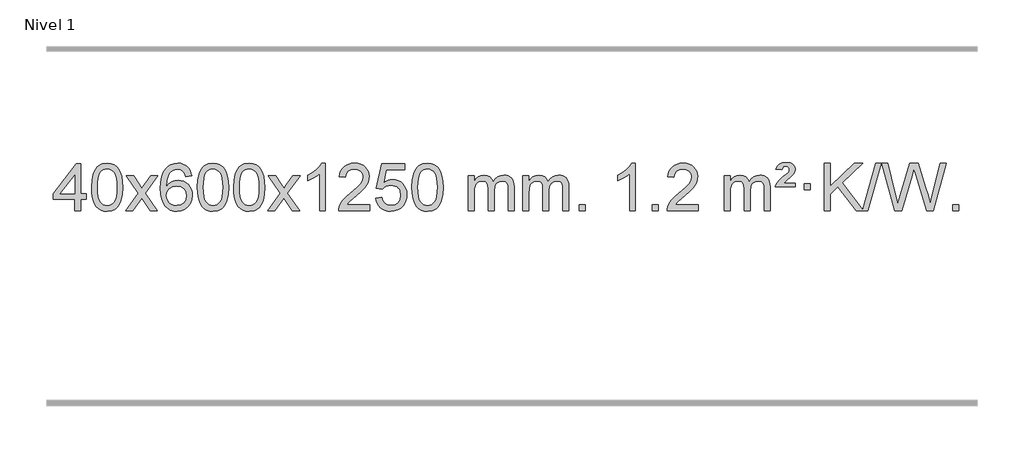
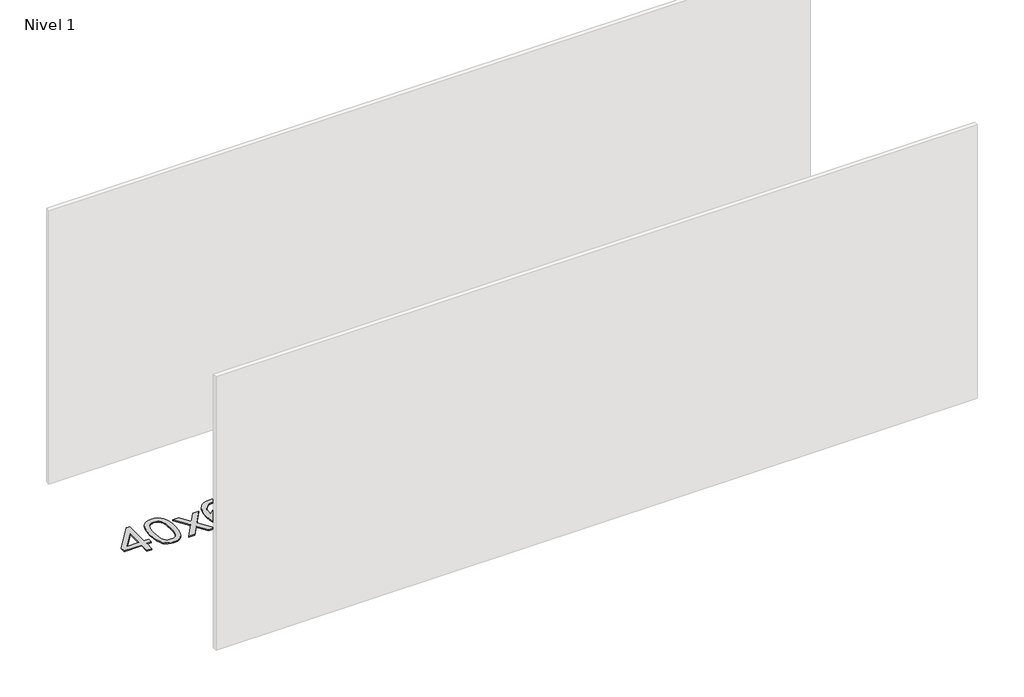
# One storey, part 9 of 9: 1 proxy.
"""IFC4 building model written with IfcOpenShell, lengths in millimetres."""

from ifc_helpers import new_model, si_unit, origin, origin_with_axes, place, context, project, spatial, polyline, outline, extrude, element, save

model = new_model("IFC4")

# Units and contexts
model_context = context("Model", 3, world=origin())
ifc_project = project(units=[si_unit("LENGTHUNIT", "METRE", prefix="MILLI")], contexts=[model_context])

# Site, building, storey
site = spatial("IfcSite", under=ifc_project)
building = spatial("IfcBuilding", under=site)
storey = spatial("IfcBuildingStorey", under=building, Name="Nivel 1", Elevation=0.0)

# Proxy
placement = place(None, origin())
element("IfcBuildingElementProxy", 1, Name="Texto de modelo 1", ObjectType="Texto de modelo 1", at=placement, inside=storey, context=model_context, shape_type="SweptSolid", body=[
    extrude(outline(polyline([(-6292.9282065, 2608.420547), (-6292.9282065, 2702.5983378), (-6475.0052686, 2702.5983378), (-6475.0052686, 2752.8264928), (-6280.3711677, 3003.9672682), (-6242.7000514, 3003.9672682), (-6242.7000514, 2752.8264928), (-6192.4718963, 2752.8264928), (-6192.4718963, 2702.5983378), (-6242.7000514, 2702.5983378), (-6242.7000514, 2608.420547), (-6292.9282065, 2608.420547)]), holes=[polyline([(-6292.9282065, 2752.8264928), (-6292.9282065, 2908.0236439), (-6413.2010934, 2752.8264928), (-6292.9282065, 2752.8264928)])]), origin_with_axes(), (0.0, 0.0, 1.0), 10.0),
    extrude(outline(polyline([(-6148.5222606, 2806.0958057), (-6144.8311779, 2870.4138412), (-6133.7579299, 2921.7088541), (-6115.4128811, 2960.7656593), (-6103.5548181, 2975.9990395), (-6089.9063961, 2988.3690716), (-6074.4216298, 2997.9401349), (-6057.0545339, 3004.7766086), (-6016.6733536, 3010.2457876), (-5985.722215, 3007.008426), (-5958.0084381, 2997.2963414), (-5934.8318724, 2981.4896783), (-5917.4923677, 2959.9685816), (-5904.3957686, 2932.9169922), (-5893.94792, 2900.5188512), (-5887.1053149, 2859.3773814), (-5884.8244465, 2806.0958057), (-5888.478741, 2742.1456523), (-5899.4416244, 2690.9732667), (-5917.6763087, 2651.8796734), (-5929.5067805, 2636.6003078), (-5943.1460055, 2624.1658964), (-5958.6491659, 2614.5304538), (-5976.071444, 2607.6479948), (-6016.6733536, 2602.1420276), (-6044.3380796, 2604.5332606), (-6068.8635459, 2611.7069595), (-6090.2497526, 2623.6631243), (-6108.4966996, 2640.4017551), (-6126.0078825, 2670.6600492), (-6138.5158704, 2708.3618224), (-6146.0206631, 2753.5070745), (-6148.5222606, 2806.0958057)]), holes=[polyline([(-6098.2941056, 2806.1939076), (-6096.8225776, 2762.5293805), (-6092.4079936, 2727.1851178), (-6085.0503537, 2700.1611196), (-6074.7496579, 2681.4573858), (-6062.290721, 2668.7317344), (-6048.4583579, 2659.6419835), (-6033.2525688, 2654.1881329), (-6016.6733536, 2652.3701827), (-6000.0941383, 2654.1942643), (-5984.8883492, 2659.6665089), (-5971.0559862, 2668.7869167), (-5958.5970493, 2681.5554876), (-5948.2963534, 2700.2898783), (-5940.9387135, 2727.3077451), (-5936.5241295, 2762.6090882), (-5935.0526016, 2806.1939076), (-5936.4750786, 2848.7026722), (-5940.7425098, 2883.4246011), (-5947.854895, 2910.3596945), (-5957.8122343, 2929.5079524), (-5970.0627048, 2942.8559375), (-5984.0544833, 2952.3902125), (-5999.78757, 2958.1107775), (-6017.2619648, 2960.0176325), (-6033.7553409, 2958.3376381), (-6048.7036126, 2953.2976548), (-6062.10678, 2944.8976825), (-6073.9648429, 2933.1377214), (-6084.6088953, 2912.291075), (-6092.2117899, 2884.1848906), (-6096.7735266, 2848.8191681), (-6098.2941056, 2806.1939076)])]), origin_with_axes(), (0.0, 0.0, 1.0), 10.0),
    extrude(outline(polyline([(-5859.7103689, 2608.420547), (-5752.3869282, 2756.7505675), (-5853.4318496, 2903.5109581), (-5793.0011005, 2903.5109581), (-5744.2444734, 2832.877615), (-5721.4848406, 2799.5229808), (-5701.7663657, 2826.7952993), (-5646.2407099, 2903.5109581), (-5585.8099608, 2903.5109581), (-5691.9561791, 2756.7505675), (-5589.7340354, 2608.420547), (-5650.1647845, 2608.420547), (-5711.6746541, 2697.5951426), (-5722.9563686, 2713.8800523), (-5799.2796199, 2608.420547), (-5859.7103689, 2608.420547)])), origin_with_axes(), (0.0, 0.0, 1.0), 10.0),
    extrude(outline(polyline([(-5300.9221437, 2903.5109581), (-5351.1502988, 2897.2324387), (-5359.2437027, 2922.125787), (-5370.1820607, 2939.1219352), (-5392.9662189, 2954.7937082), (-5420.5083176, 2960.0176325), (-5443.8565616, 2956.9764747), (-5465.8313794, 2947.8530012), (-5484.7037258, 2928.6372983), (-5500.1179814, 2902.1865829), (-5510.5290419, 2864.772984), (-5514.3918028, 2812.6686307), (-5494.2441322, 2836.1762902), (-5470.0988106, 2852.7432427), (-5443.3047386, 2862.565692), (-5415.2108169, 2865.8398418), (-5391.077758, 2863.601893), (-5368.8086346, 2856.8880466), (-5348.4034466, 2845.6983025), (-5329.862194, 2830.0326609), (-5314.4540698, 2810.8230894), (-5303.4482668, 2789.0015557), (-5296.844785, 2764.5680599), (-5294.6436244, 2737.5226018), (-5298.7884282, 2701.5560055), (-5311.2228396, 2668.213634), (-5330.9167891, 2639.9357713), (-5356.840207, 2619.1627013), (-5387.815871, 2606.397196), (-5422.6665587, 2602.1420276), (-5452.6090874, 2604.9624563), (-5479.6514797, 2613.4237421), (-5503.7937357, 2627.5258853), (-5525.0358552, 2647.2688857), (-5542.3539001, 2673.4866092), (-5554.7239322, 2707.0129217), (-5562.1459515, 2747.8478232), (-5564.6199579, 2795.9913136), (-5561.8731057, 2849.9657337), (-5553.632549, 2896.0306908), (-5539.8982878, 2934.1861851), (-5520.6703222, 2964.4322165), (-5499.8298072, 2984.4756538), (-5475.6660915, 2998.7923948), (-5448.179175, 3007.3824394), (-5417.3690579, 3010.2457876), (-5394.2354118, 3008.4738227), (-5373.2967949, 3003.1579278), (-5354.5532073, 2994.2981031), (-5338.0046489, 2981.8943485), (-5324.0987094, 2966.3635969), (-5313.2829788, 2948.1227814), (-5305.5574569, 2927.1719017), (-5300.9221437, 2903.5109581)]), holes=[polyline([(-5514.3918028, 2738.3074168), (-5511.485535, 2716.0505561), (-5502.7667318, 2694.7992395), (-5489.2286743, 2676.527767), (-5471.8646442, 2663.2104388), (-5450.9076332, 2655.0802467), (-5426.5906333, 2652.3701827), (-5393.4444655, 2657.9865145), (-5379.5293291, 2665.0069292), (-5367.3861575, 2674.8355099), (-5357.5361171, 2687.0737176), (-5350.500374, 2701.3230135), (-5344.8717794, 2735.8548701), (-5350.4267976, 2769.0010379), (-5357.3705702, 2782.6218688), (-5367.0918519, 2794.274531), (-5379.2718117, 2803.6095366), (-5393.5916183, 2810.2773978), (-5428.6507725, 2815.6116867), (-5461.7478893, 2810.2773978), (-5489.4248781, 2794.274531), (-5500.3479076, 2782.7751529), (-5508.1500716, 2769.6141746), (-5512.83137, 2754.7915958), (-5514.3918028, 2738.3074168)])]), origin_with_axes(), (0.0, 0.0, 1.0), 10.0),
    extrude(outline(polyline([(-5250.6939887, 2806.0958057), (-5247.002906, 2870.4138412), (-5235.9296579, 2921.7088541), (-5217.5846091, 2960.7656593), (-5205.7265461, 2975.9990395), (-5192.0781241, 2988.3690716), (-5176.5933578, 2997.9401349), (-5159.2262619, 3004.7766086), (-5118.8450816, 3010.2457876), (-5087.8939431, 3007.008426), (-5060.1801661, 2997.2963414), (-5037.0036004, 2981.4896783), (-5019.6640957, 2959.9685816), (-5006.5674967, 2932.9169922), (-4996.119648, 2900.5188512), (-4989.2770429, 2859.3773814), (-4986.9961745, 2806.0958057), (-4990.650469, 2742.1456523), (-5001.6133525, 2690.9732667), (-5019.8480367, 2651.8796734), (-5031.6785085, 2636.6003078), (-5045.3177335, 2624.1658964), (-5060.8208939, 2614.5304538), (-5078.2431721, 2607.6479948), (-5118.8450816, 2602.1420276), (-5146.5098076, 2604.5332606), (-5171.035274, 2611.7069595), (-5192.4214806, 2623.6631243), (-5210.6684276, 2640.4017551), (-5228.1796106, 2670.6600492), (-5240.6875984, 2708.3618224), (-5248.1923911, 2753.5070745), (-5250.6939887, 2806.0958057)]), holes=[polyline([(-5200.4658336, 2806.1939076), (-5198.9943056, 2762.5293805), (-5194.5797217, 2727.1851178), (-5187.2220818, 2700.1611196), (-5176.9213859, 2681.4573858), (-5164.462449, 2668.7317344), (-5150.630086, 2659.6419835), (-5135.4242968, 2654.1881329), (-5118.8450816, 2652.3701827), (-5102.2658663, 2654.1942643), (-5087.0600772, 2659.6665089), (-5073.2277142, 2668.7869167), (-5060.7687773, 2681.5554876), (-5050.4680814, 2700.2898783), (-5043.1104415, 2727.3077451), (-5038.6958576, 2762.6090882), (-5037.2243296, 2806.1939076), (-5038.6468066, 2848.7026722), (-5042.9142378, 2883.4246011), (-5050.026623, 2910.3596945), (-5059.9839624, 2929.5079524), (-5072.2344328, 2942.8559375), (-5086.2262114, 2952.3902125), (-5101.959298, 2958.1107775), (-5119.4336928, 2960.0176325), (-5135.9270689, 2958.3376381), (-5150.8753406, 2953.2976548), (-5164.278508, 2944.8976825), (-5176.136571, 2933.1377214), (-5186.7806234, 2912.291075), (-5194.3835179, 2884.1848906), (-5198.9452547, 2848.8191681), (-5200.4658336, 2806.1939076)])]), origin_with_axes(), (0.0, 0.0, 1.0), 10.0),
    extrude(outline(polyline([(-4943.0465388, 2806.0958057), (-4939.3554561, 2870.4138412), (-4928.2822081, 2921.7088541), (-4909.9371593, 2960.7656593), (-4898.0790963, 2975.9990395), (-4884.4306743, 2988.3690716), (-4868.945908, 2997.9401349), (-4851.5788121, 3004.7766086), (-4811.1976318, 3010.2457876), (-4780.2464932, 3007.008426), (-4752.5327163, 2997.2963414), (-4729.3561506, 2981.4896783), (-4712.0166459, 2959.9685816), (-4698.9200468, 2932.9169922), (-4688.4721982, 2900.5188512), (-4681.6295931, 2859.3773814), (-4679.3487247, 2806.0958057), (-4683.0030192, 2742.1456523), (-4693.9659026, 2690.9732667), (-4712.2005869, 2651.8796734), (-4724.0310587, 2636.6003078), (-4737.6702837, 2624.1658964), (-4753.1734441, 2614.5304538), (-4770.5957222, 2607.6479948), (-4811.1976318, 2602.1420276), (-4838.8623578, 2604.5332606), (-4863.3878241, 2611.7069595), (-4884.7740308, 2623.6631243), (-4903.0209778, 2640.4017551), (-4920.5321607, 2670.6600492), (-4933.0401486, 2708.3618224), (-4940.5449413, 2753.5070745), (-4943.0465388, 2806.0958057)]), holes=[polyline([(-4892.8183838, 2806.1939076), (-4891.3468558, 2762.5293805), (-4886.9322718, 2727.1851178), (-4879.5746319, 2700.1611196), (-4869.2739361, 2681.4573858), (-4856.8149992, 2668.7317344), (-4842.9826361, 2659.6419835), (-4827.776847, 2654.1881329), (-4811.1976318, 2652.3701827), (-4794.6184165, 2654.1942643), (-4779.4126274, 2659.6665089), (-4765.5802644, 2668.7869167), (-4753.1213275, 2681.5554876), (-4742.8206316, 2700.2898783), (-4735.4629917, 2727.3077451), (-4731.0484077, 2762.6090882), (-4729.5768798, 2806.1939076), (-4730.9993568, 2848.7026722), (-4735.266788, 2883.4246011), (-4742.3791732, 2910.3596945), (-4752.3365125, 2929.5079524), (-4764.586983, 2942.8559375), (-4778.5787615, 2952.3902125), (-4794.3118482, 2958.1107775), (-4811.786243, 2960.0176325), (-4828.2796191, 2958.3376381), (-4843.2278908, 2953.2976548), (-4856.6310582, 2944.8976825), (-4868.4891211, 2933.1377214), (-4879.1331735, 2912.291075), (-4886.7360681, 2884.1848906), (-4891.2978048, 2848.8191681), (-4892.8183838, 2806.1939076)])]), origin_with_axes(), (0.0, 0.0, 1.0), 10.0),
    extrude(outline(polyline([(-4654.2346472, 2608.420547), (-4546.9112064, 2756.7505675), (-4647.9561278, 2903.5109581), (-4587.5253787, 2903.5109581), (-4538.7687516, 2832.877615), (-4516.0091188, 2799.5229808), (-4496.2906439, 2826.7952993), (-4440.7649881, 2903.5109581), (-4380.334239, 2903.5109581), (-4486.4804574, 2756.7505675), (-4384.2583136, 2608.420547), (-4444.6890627, 2608.420547), (-4506.1989323, 2697.5951426), (-4517.4806468, 2713.8800523), (-4593.8038981, 2608.420547), (-4654.2346472, 2608.420547)])), origin_with_axes(), (0.0, 0.0, 1.0), 10.0),
    extrude(outline(polyline([(-4164.5101352, 2608.420547), (-4214.7382902, 2608.420547), (-4214.7382902, 2921.5617013), (-4235.707564, 2904.6023413), (-4262.317695, 2887.6675068), (-4315.1946004, 2862.3081746), (-4315.1946004, 2909.7894775), (-4275.7453878, 2931.2492605), (-4241.5691504, 2956.780271), (-4214.6279257, 2983.9299622), (-4196.8837508, 3010.2457876), (-4164.5101352, 3010.2457876), (-4164.5101352, 2608.420547)])), origin_with_axes(), (0.0, 0.0, 1.0), 10.0),
    extrude(outline(polyline([(-3787.7989721, 2658.6487021), (-3787.7989721, 2608.420547), (-4051.4967863, 2608.420547), (-4050.3931403, 2626.1034082), (-4046.1011837, 2643.0505055), (-4033.7158232, 2670.1143576), (-4015.5915035, 2696.3688693), (-3989.37378, 2723.8496544), (-3952.7082078, 2754.5923264), (-3898.5069272, 2802.7358169), (-3865.9861588, 2838.2732176), (-3849.7257746, 2867.115166), (-3844.3056466, 2895.1722995), (-3849.4192063, 2920.3231653), (-3864.7598855, 2941.2311253), (-3888.3411214, 2955.3210057), (-3918.1763512, 2960.0176325), (-3949.5076345, 2955.4313703), (-3973.8491598, 2941.6725837), (-3989.557721, 2919.8203932), (-3994.9901118, 2890.9539193), (-4045.2182669, 2897.2324387), (-4040.8987191, 2923.161988), (-4033.0413728, 2945.8173875), (-4021.646228, 2965.1986373), (-4006.7132847, 2981.3057373), (-3988.5858994, 2993.9670093), (-3967.6074286, 3003.010775), (-3943.7778724, 3008.4370345), (-3917.0972307, 3010.2457876), (-3890.1774657, 3008.2346994), (-3866.2191508, 3002.2014346), (-3845.2222859, 2992.1459934), (-3827.1868711, 2978.0683758), (-3812.7015175, 2961.0109139), (-3802.3548364, 2942.0159402), (-3796.1468277, 2921.0834547), (-3794.0774915, 2898.2134573), (-3796.3093089, 2874.1907631), (-3803.0047612, 2850.5850017), (-3814.8873497, 2826.5745701), (-3832.6805755, 2801.3378653), (-3861.0442774, 2771.2083299), (-3904.6382938, 2732.5194067), (-3962.4202925, 2684.204238), (-3985.0818234, 2658.6487021), (-3787.7989721, 2658.6487021)])), origin_with_axes(), (0.0, 0.0, 1.0), 10.0),
    extrude(outline(polyline([(-3737.570817, 2715.1553765), (-3687.342662, 2721.4338959), (-3678.1210866, 2691.2798351), (-3662.0323807, 2669.6851619), (-3639.1501206, 2656.6989275), (-3609.5478827, 2652.3701827), (-3590.418019, 2653.8754332), (-3573.5444981, 2658.3911847), (-3558.9273202, 2665.9174372), (-3546.5664851, 2676.4541906), (-3536.7379045, 2689.480279), (-3529.7174898, 2704.4745359), (-3524.101158, 2740.3675559), (-3529.3618705, 2774.1636486), (-3535.9377612, 2788.0818507), (-3545.1440081, 2800.0134901), (-3557.0112681, 2809.5845533), (-3571.5701981, 2816.4210271), (-3608.7630678, 2821.8902061), (-3633.1291186, 2819.7074396), (-3652.8598563, 2813.1591401), (-3668.6174684, 2803.1282243), (-3681.0641426, 2790.4976092), (-3731.2922977, 2796.7761285), (-3687.342662, 3003.9672682), (-3492.708561, 3003.9672682), (-3492.708561, 2953.7391131), (-3646.7284897, 2953.7391131), (-3668.2127982, 2843.080209), (-3650.4870174, 2855.7844006), (-3632.332041, 2864.8588231), (-3613.7478688, 2870.3034766), (-3594.734501, 2872.1183612), (-3570.273414, 2869.8681496), (-3547.8050212, 2863.117515), (-3527.3293225, 2851.8664573), (-3508.8463179, 2836.1149766), (-3493.5454926, 2816.8256973), (-3482.6163316, 2794.961244), (-3476.0588351, 2770.5216168), (-3473.8730029, 2743.5068156), (-3475.8411716, 2717.4852958), (-3481.7456776, 2693.2786606), (-3491.586521, 2670.8869098), (-3505.3637017, 2650.3100435), (-3526.2348735, 2629.2365366), (-3550.5886616, 2614.1840316), (-3578.4250659, 2605.1525286), (-3609.7440864, 2602.1420276), (-3635.6644387, 2604.0764738), (-3659.077062, 2609.8798123), (-3679.9819564, 2619.552043), (-3698.3791218, 2633.0931662), (-3713.6860785, 2649.8287312), (-3725.3203466, 2669.084288), (-3733.2819261, 2690.8598364), (-3737.570817, 2715.1553765)])), origin_with_axes(), (0.0, 0.0, 1.0), 10.0),
    extrude(outline(polyline([(-3429.9233672, 2806.0958057), (-3426.2322845, 2870.4138412), (-3415.1590365, 2921.7088541), (-3396.8139876, 2960.7656593), (-3384.9559247, 2975.9990395), (-3371.3075026, 2988.3690716), (-3355.8227363, 2997.9401349), (-3338.4556405, 3004.7766086), (-3298.0744601, 3010.2457876), (-3267.1233216, 3007.008426), (-3239.4095446, 2997.2963414), (-3216.2329789, 2981.4896783), (-3198.8934742, 2959.9685816), (-3185.7968752, 2932.9169922), (-3175.3490265, 2900.5188512), (-3168.5064214, 2859.3773814), (-3166.2255531, 2806.0958057), (-3169.8798475, 2742.1456523), (-3180.842731, 2690.9732667), (-3199.0774152, 2651.8796734), (-3210.9078871, 2636.6003078), (-3224.547112, 2624.1658964), (-3240.0502724, 2614.5304538), (-3257.4725506, 2607.6479948), (-3298.0744601, 2602.1420276), (-3325.7391862, 2604.5332606), (-3350.2646525, 2611.7069595), (-3371.6508592, 2623.6631243), (-3389.8978061, 2640.4017551), (-3407.4089891, 2670.6600492), (-3419.9169769, 2708.3618224), (-3427.4217696, 2753.5070745), (-3429.9233672, 2806.0958057)]), holes=[polyline([(-3379.6952121, 2806.1939076), (-3378.2236842, 2762.5293805), (-3373.8091002, 2727.1851178), (-3366.4514603, 2700.1611196), (-3356.1507644, 2681.4573858), (-3343.6918275, 2668.7317344), (-3329.8594645, 2659.6419835), (-3314.6536754, 2654.1881329), (-3298.0744601, 2652.3701827), (-3281.4952449, 2654.1942643), (-3266.2894558, 2659.6665089), (-3252.4570927, 2668.7869167), (-3239.9981558, 2681.5554876), (-3229.69746, 2700.2898783), (-3222.3398201, 2727.3077451), (-3217.9252361, 2762.6090882), (-3216.4537081, 2806.1939076), (-3217.8761852, 2848.7026722), (-3222.1436163, 2883.4246011), (-3229.2560016, 2910.3596945), (-3239.2133409, 2929.5079524), (-3251.4638113, 2942.8559375), (-3265.4555899, 2952.3902125), (-3281.1886766, 2958.1107775), (-3298.6630713, 2960.0176325), (-3315.1564474, 2958.3376381), (-3330.1047192, 2953.2976548), (-3343.5078865, 2944.8976825), (-3355.3659495, 2933.1377214), (-3366.0100019, 2912.291075), (-3373.6128965, 2884.1848906), (-3378.1746332, 2848.8191681), (-3379.6952121, 2806.1939076)])]), origin_with_axes(), (0.0, 0.0, 1.0), 10.0),
    extrude(outline(polyline([(-2952.755894, 2608.420547), (-2952.755894, 2903.5109581), (-2902.5277389, 2903.5109581), (-2902.5277389, 2854.9505347), (-2887.4200517, 2877.2564463), (-2867.9958823, 2894.7308411), (-2844.9174185, 2906.0248184), (-2818.8468478, 2909.7894775), (-2790.9123416, 2905.951242), (-2768.5205908, 2894.4365355), (-2751.7942228, 2876.0056476), (-2740.8558648, 2851.4188676), (-2722.5476041, 2876.9560094), (-2701.6641696, 2895.196825), (-2678.205561, 2906.1413143), (-2652.1717785, 2909.7894775), (-2632.0639617, 2908.2719642), (-2614.414823, 2903.7194245), (-2599.2243623, 2896.1318584), (-2586.4925796, 2885.5092658), (-2576.4279413, 2871.7290194), (-2569.238914, 2854.6684918), (-2564.9254976, 2834.3276832), (-2563.4876922, 2810.7065934), (-2563.4876922, 2608.420547), (-2613.7158472, 2608.420547), (-2613.7158472, 2789.124183), (-2614.8808069, 2814.1769469), (-2618.3756858, 2831.0627305), (-2624.9239854, 2842.6264879), (-2635.2492067, 2851.7131732), (-2648.5297467, 2857.5992851), (-2663.9440023, 2859.5613224), (-2691.1550072, 2854.5336018), (-2713.3382915, 2839.45044), (-2721.9436645, 2827.8805512), (-2728.0903595, 2813.2817674), (-2733.0077155, 2774.9975144), (-2733.0077155, 2608.420547), (-2783.2358706, 2608.420547), (-2783.2358706, 2794.7159894), (-2786.1421384, 2823.1164794), (-2794.8609417, 2843.3745146), (-2810.2016209, 2855.5146204), (-2832.9735164, 2859.5613224), (-2852.3241093, 2856.8635211), (-2870.1541233, 2848.7701172), (-2884.8694032, 2835.4773144), (-2894.8757934, 2817.1813165), (-2900.6147525, 2791.7974589), (-2902.5277389, 2757.2410768), (-2902.5277389, 2608.420547), (-2952.755894, 2608.420547)])), origin_with_axes(), (0.0, 0.0, 1.0), 10.0),
    extrude(outline(polyline([(-2488.1454596, 2608.420547), (-2488.1454596, 2903.5109581), (-2437.9173045, 2903.5109581), (-2437.9173045, 2854.9505347), (-2422.8096172, 2877.2564463), (-2403.3854479, 2894.7308411), (-2380.306984, 2906.0248184), (-2354.2364133, 2909.7894775), (-2326.3019071, 2905.951242), (-2303.9101564, 2894.4365355), (-2287.1837883, 2876.0056476), (-2276.2454303, 2851.4188676), (-2257.9371697, 2876.9560094), (-2237.0537351, 2895.196825), (-2213.5951266, 2906.1413143), (-2187.561344, 2909.7894775), (-2167.4535273, 2908.2719642), (-2149.8043886, 2903.7194245), (-2134.6139279, 2896.1318584), (-2121.8821452, 2885.5092658), (-2111.8175069, 2871.7290194), (-2104.6284796, 2854.6684918), (-2100.3150632, 2834.3276832), (-2098.8772577, 2810.7065934), (-2098.8772577, 2608.420547), (-2149.1054128, 2608.420547), (-2149.1054128, 2789.124183), (-2150.2703724, 2814.1769469), (-2153.7652514, 2831.0627305), (-2160.3135509, 2842.6264879), (-2170.6387722, 2851.7131732), (-2183.9193123, 2857.5992851), (-2199.3335679, 2859.5613224), (-2226.5445728, 2854.5336018), (-2248.7278571, 2839.45044), (-2257.3332301, 2827.8805512), (-2263.4799251, 2813.2817674), (-2268.3972811, 2774.9975144), (-2268.3972811, 2608.420547), (-2318.6254362, 2608.420547), (-2318.6254362, 2794.7159894), (-2321.5317039, 2823.1164794), (-2330.2505072, 2843.3745146), (-2345.5911864, 2855.5146204), (-2368.3630819, 2859.5613224), (-2387.7136749, 2856.8635211), (-2405.5436889, 2848.7701172), (-2420.2589687, 2835.4773144), (-2430.265359, 2817.1813165), (-2436.0043181, 2791.7974589), (-2437.9173045, 2757.2410768), (-2437.9173045, 2608.420547), (-2488.1454596, 2608.420547)])), origin_with_axes(), (0.0, 0.0, 1.0), 10.0),
    extrude(outline(polyline([(-2010.9779863, 2608.420547), (-2010.9779863, 2658.6487021), (-1960.7498313, 2658.6487021), (-1960.7498313, 2608.420547), (-2010.9779863, 2608.420547)])), origin_with_axes(), (0.0, 0.0, 1.0), 10.0),
    extrude(outline(polyline([(-1533.8105131, 2608.420547), (-1584.0386682, 2608.420547), (-1584.0386682, 2921.5617013), (-1605.0079419, 2904.6023413), (-1631.6180729, 2887.6675068), (-1684.4949784, 2862.3081746), (-1684.4949784, 2909.7894775), (-1645.0457657, 2931.2492605), (-1610.8695284, 2956.780271), (-1583.9283036, 2983.9299622), (-1566.1841287, 3010.2457876), (-1533.8105131, 3010.2457876), (-1533.8105131, 2608.420547)])), origin_with_axes(), (0.0, 0.0, 1.0), 10.0),
    extrude(outline(polyline([(-1389.4045673, 2608.420547), (-1389.4045673, 2658.6487021), (-1339.1764122, 2658.6487021), (-1339.1764122, 2608.420547), (-1389.4045673, 2608.420547)])), origin_with_axes(), (0.0, 0.0, 1.0), 10.0),
    extrude(outline(polyline([(-1000.1363655, 2658.6487021), (-1000.1363655, 2608.420547), (-1263.8341796, 2608.420547), (-1262.7305336, 2626.1034082), (-1258.438577, 2643.0505055), (-1246.0532165, 2670.1143576), (-1227.9288969, 2696.3688693), (-1201.7111734, 2723.8496544), (-1165.0456012, 2754.5923264), (-1110.8443205, 2802.7358169), (-1078.3235522, 2838.2732176), (-1062.063168, 2867.115166), (-1056.6430399, 2895.1722995), (-1061.7565997, 2920.3231653), (-1077.0972789, 2941.2311253), (-1100.6785147, 2955.3210057), (-1130.5137446, 2960.0176325), (-1161.8450278, 2955.4313703), (-1186.1865532, 2941.6725837), (-1201.8951144, 2919.8203932), (-1207.3275051, 2890.9539193), (-1257.5556602, 2897.2324387), (-1253.2361125, 2923.161988), (-1245.3787662, 2945.8173875), (-1233.9836214, 2965.1986373), (-1219.0506781, 2981.3057373), (-1200.9232927, 2993.9670093), (-1179.944822, 3003.010775), (-1156.1152657, 3008.4370345), (-1129.434624, 3010.2457876), (-1102.514859, 3008.2346994), (-1078.5565441, 3002.2014346), (-1057.5596792, 2992.1459934), (-1039.5242644, 2978.0683758), (-1025.0389109, 2961.0109139), (-1014.6922297, 2942.0159402), (-1008.4842211, 2921.0834547), (-1006.4148848, 2898.2134573), (-1008.6467023, 2874.1907631), (-1015.3421546, 2850.5850017), (-1027.224743, 2826.5745701), (-1045.0179689, 2801.3378653), (-1073.3816707, 2771.2083299), (-1116.9756871, 2732.5194067), (-1174.7576858, 2684.204238), (-1197.4192167, 2658.6487021), (-1000.1363655, 2658.6487021)])), origin_with_axes(), (0.0, 0.0, 1.0), 10.0),
    extrude(outline(polyline([(-780.388187, 2608.420547), (-780.388187, 2903.5109581), (-730.1600319, 2903.5109581), (-730.1600319, 2854.9505347), (-715.0523447, 2877.2564463), (-695.6281753, 2894.7308411), (-672.5497115, 2906.0248184), (-646.4791408, 2909.7894775), (-618.5446346, 2905.951242), (-596.1528838, 2894.4365355), (-579.4265158, 2876.0056476), (-568.4881578, 2851.4188676), (-550.1798972, 2876.9560094), (-529.2964626, 2895.196825), (-505.837854, 2906.1413143), (-479.8040715, 2909.7894775), (-459.6962548, 2908.2719642), (-442.047116, 2903.7194245), (-426.8566553, 2896.1318584), (-414.1248726, 2885.5092658), (-404.0602344, 2871.7290194), (-396.871207, 2854.6684918), (-392.5577906, 2834.3276832), (-391.1199852, 2810.7065934), (-391.1199852, 2608.420547), (-441.3481403, 2608.420547), (-441.3481403, 2789.124183), (-442.5130999, 2814.1769469), (-446.0079789, 2831.0627305), (-452.5562784, 2842.6264879), (-462.8814997, 2851.7131732), (-476.1620397, 2857.5992851), (-491.5762953, 2859.5613224), (-518.7873002, 2854.5336018), (-540.9705845, 2839.45044), (-549.5759576, 2827.8805512), (-555.7226526, 2813.2817674), (-560.6400086, 2774.9975144), (-560.6400086, 2608.420547), (-610.8681636, 2608.420547), (-610.8681636, 2794.7159894), (-613.7744314, 2823.1164794), (-622.4932347, 2843.3745146), (-637.8339139, 2855.5146204), (-660.6058094, 2859.5613224), (-679.9564023, 2856.8635211), (-697.7864164, 2848.7701172), (-712.5016962, 2835.4773144), (-722.5080864, 2817.1813165), (-728.2470456, 2791.7974589), (-730.1600319, 2757.2410768), (-730.1600319, 2608.420547), (-780.388187, 2608.420547)])), origin_with_axes(), (0.0, 0.0, 1.0), 10.0),
    extrude(outline(polyline([(-347.1703495, 2809.3331673), (-343.3443767, 2825.1520931), (-335.0057182, 2841.0200698), (-313.4968842, 2866.1586728), (-281.5402016, 2893.8969753), (-237.3943621, 2931.273786), (-230.2574514, 2942.8007552), (-227.8784812, 2954.6220299), (-229.7669421, 2966.7130848), (-235.4323248, 2976.4987459), (-244.801053, 2982.973469), (-257.7995501, 2985.1317101), (-270.2339616, 2983.5130293), (-279.0876549, 2978.656987), (-285.5133271, 2969.1901569), (-290.663675, 2953.7391131), (-340.8918301, 2960.0176325), (-330.051574, 2985.2298119), (-313.4233078, 3002.7900458), (-289.6581309, 3013.0907417), (-257.4071427, 3016.524307), (-221.6244873, 3012.3917659), (-196.8782917, 2999.9941427), (-182.4573175, 2981.6613566), (-177.6503261, 2959.7233269), (-181.746079, 2936.8165414), (-194.0333376, 2915.1850801), (-214.561153, 2895.3685032), (-251.0305214, 2867.3113697), (-276.6351083, 2840.7257642), (-177.6503261, 2840.7257642), (-177.6503261, 2809.3331673), (-347.1703495, 2809.3331673)])), origin_with_axes(), (0.0, 0.0, 1.0), 10.0),
    extrude(outline(polyline([(-102.3080935, 2784.2190898), (-102.3080935, 2834.4472448), (-52.0799384, 2834.4472448), (-52.0799384, 2784.2190898), (-102.3080935, 2784.2190898)])), origin_with_axes(), (0.0, 0.0, 1.0), 10.0),
    extrude(outline(polyline([(338.5616895, 2608.420547), (185.1303721, 2811.0990009), (117.440085, 2746.5479735), (117.440085, 2608.420547), (67.2119299, 2608.420547), (67.2119299, 3010.2457876), (117.440085, 3010.2457876), (117.440085, 2813.5515475), (323.4540023, 3010.2457876), (393.6949379, 3010.2457876), (220.7413492, 2845.0422463), (395.3949591, 2614.4650668), (506.7082868, 3010.2457876), (552.0313486, 3010.2457876), (439.0179997, 2608.420547), (399.9734572, 2608.420547), (393.6949379, 2608.420547), (338.5616895, 2608.420547)])), origin_with_axes(), (0.0, 0.0, 1.0), 10.0),
    extrude(outline(polyline([(666.5162255, 2608.420547), (556.9364419, 3010.2457876), (608.7342268, 3010.2457876), (672.3042355, 2746.155566), (691.9246086, 2664.6329159), (712.9184078, 2736.7377869), (792.5771225, 3010.2457876), (867.2326421, 3010.2457876), (925.1127426, 2811.9819177), (949.9079891, 2738.4055186), (968.1794615, 2664.6329159), (987.2112234, 2743.8011212), (1051.3698434, 3010.2457876), (1103.1676283, 3010.2457876), (993.4897428, 2608.420547), (939.8280224, 2608.420547), (843.4919906, 2918.4224416), (830.0520351, 2961.6853642), (814.9443478, 2909.5932737), (727.1431783, 2608.420547), (666.5162255, 2608.420547)])), origin_with_axes(), (0.0, 0.0, 1.0), 10.0),
    extrude(outline(polyline([(1159.6743028, 2608.420547), (1159.6743028, 2658.6487021), (1209.9024578, 2658.6487021), (1209.9024578, 2608.420547), (1159.6743028, 2608.420547)])), origin_with_axes(), (0.0, 0.0, 1.0), 10.0),
])

save(model, "model.ifc")
